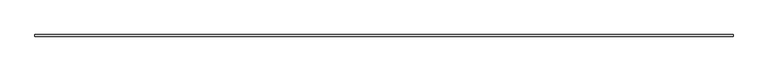
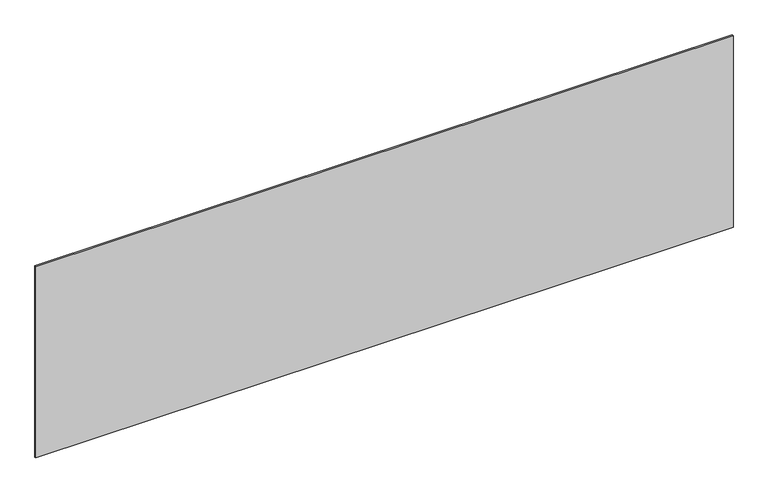
"""IFC4 building model written with IfcOpenShell, lengths in millimetres: plate geometry."""

from ifc_helpers import new_model, si_unit, origin, origin_with_axes, place, context, project, spatial, polyline, outline, extrude, source, transform, mapped, element, save


def plate_0ca7572d(model_context):
    return source(origin(), model_context, "Body", "SweptSolid", [
        extrude(outline(polyline([(2189.1666667, -5.0), (-2189.1666667, -5.0), (-2189.1666667, 5.0), (2189.1666667, 5.0), (2189.1666667, -5.0)])), origin_with_axes(), (0.0, 0.0, 1.0), 1269.4397071),
    ])


if __name__ == "__main__":
    model = new_model("IFC4")
    model_context = context("Model", 3, world=origin())
    ifc_project = project(units=[si_unit("LENGTHUNIT", "METRE", prefix="MILLI")], contexts=[model_context])
    site = spatial("IfcSite", under=ifc_project)
    building = spatial("IfcBuilding", under=site)
    placement = place(None, origin())
    plate_shape = plate_0ca7572d(model_context)
    element("IfcPlate", 1, at=placement, inside=building, context=model_context, shape_type="MappedRepresentation", body=[
        mapped(plate_shape, transform((0.0, 0.0, 0.0), x_axis=(1.0, 0.0, 0.0), y_axis=(0.0, 1.0, 0.0), z_axis=(0.0, 0.0, 1.0))),
    ])
    save(model, "model.ifc")
